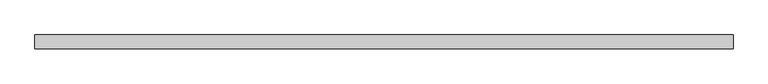
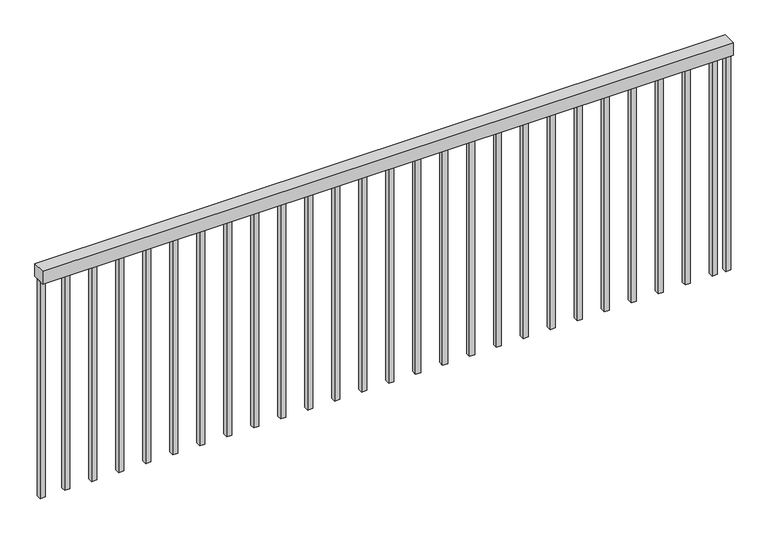
"""IFC4 building model written with IfcOpenShell, lengths in millimetres: railing geometry."""

import ifcopenshell
import ifcopenshell.guid

model = None  # the IFC model being written
_history = None  # IfcOwnerHistory: only IFC2X3 demands one
_inside = {}  # id of a spatial element -> (the spatial element, [elements in it])
_under = {}  # id of a project, library or spatial element -> (it, [spatial elements below it])
_declared = {}  # id of a project -> (the project, [libraries it declares])
_typed = {}  # id of a type object -> (the type object, [elements of that type])
_made_of = {}  # id of a material, layer set ... -> (it, [elements and type objects made of it])


def new_model(schema):
    """Start an empty IFC model of exactly this schema.

    Asked for "IFC4X3", IfcOpenShell would pick the latest addendum, in which some entities
    have other attributes; the version numbers below select the first issue.
    IFC2X3 requires an IfcOwnerHistory on every rooted entity: one is made here for all.
    """
    global model, _history
    if schema == "IFC4X3":
        model = ifcopenshell.file(schema_version=(4, 3, 0, 0))
    else:
        model = ifcopenshell.file(schema=schema)
    _inside.clear()
    _under.clear()
    _declared.clear()
    _typed.clear()
    _made_of.clear()
    _history = None
    if model.schema == "IFC2X3":
        org = make("IfcOrganization", Name="unknown")
        user = make(
            "IfcPersonAndOrganization",
            ThePerson=make("IfcPerson", FamilyName="unknown"),
            TheOrganization=org,
        )
        app = make(
            "IfcApplication",
            ApplicationDeveloper=org,
            Version="unknown",
            ApplicationFullName="unknown",
            ApplicationIdentifier="unknown",
        )
        _history = make(
            "IfcOwnerHistory",
            OwningUser=user,
            OwningApplication=app,
            ChangeAction="ADDED",
            CreationDate=0,
        )
    return model


def make(cls, **values):
    """One entity of the class cls with the attributes given. An attribute that is None is left unset."""
    return model.create_entity(
        cls, **{name: value for name, value in values.items() if value is not None}
    )


def rooted(cls, **values):
    """An entity with a GlobalId (a new one), such as an element, a storey or a relation."""
    return make(cls, GlobalId=ifcopenshell.guid.new(), OwnerHistory=_history, **values)


def si_unit(unit_type, name, prefix=None):
    """IfcSIUnit, for example si_unit("LENGTHUNIT", "METRE", prefix="MILLI")."""
    return make("IfcSIUnit", UnitType=unit_type, Prefix=prefix, Name=name)


def assignment(units):
    """IfcUnitAssignment: the units of a project."""
    return None if units is None else make("IfcUnitAssignment", Units=units)


def point(xyz):
    """IfcCartesianPoint."""
    return None if xyz is None else make("IfcCartesianPoint", Coordinates=xyz)


def direction(xyz):
    """IfcDirection."""
    return None if xyz is None else make("IfcDirection", DirectionRatios=xyz)


def frame(location, z_axis=None, x_axis=None):
    """IfcAxis2Placement3D, a coordinate frame: its origin and axes. An axis left out is left unset."""
    return make(
        "IfcAxis2Placement3D",
        Location=point(location),
        Axis=direction(z_axis),
        RefDirection=direction(x_axis),
    )


def origin():
    """The frame at (0, 0, 0) with its axes left unset."""
    return frame((0.0, 0.0, 0.0))


def origin_with_axes():
    """The frame at (0, 0, 0) with the z axis (0, 0, 1) and the x axis (1, 0, 0) written out."""
    return frame((0.0, 0.0, 0.0), z_axis=(0.0, 0.0, 1.0), x_axis=(1.0, 0.0, 0.0))


def place(relative_to, where):
    """IfcLocalPlacement: puts the frame where relative to a parent placement (None: the world)."""
    return make(
        "IfcLocalPlacement", PlacementRelTo=relative_to, RelativePlacement=where
    )


def context(
    kind, dimensions, precision=None, world=None, true_north=None, identifier=None
):
    """IfcGeometricRepresentationContext, for example the 3D "Model" context."""
    return make(
        "IfcGeometricRepresentationContext",
        ContextIdentifier=identifier,
        ContextType=kind,
        CoordinateSpaceDimension=dimensions,
        Precision=precision,
        WorldCoordinateSystem=world,
        TrueNorth=true_north,
    )


def project(units=None, contexts=None):
    """IfcProject with its units and contexts."""
    return rooted(
        "IfcProject",
        Name="project",
        RepresentationContexts=contexts,
        UnitsInContext=assignment(units),
    )


def spatial(cls, under=None, at=None, **own):
    """A site, building, storey or space (cls), placed at a placement, below another one or the project."""
    s = rooted(cls, ObjectPlacement=at, **own)
    if under is not None:
        _under.setdefault(under.id(), (under, []))[1].append(s)
    return s


def polyline(points):
    """IfcPolyline through the points."""
    return make("IfcPolyline", Points=[point(p) for p in points])


def outline(outer, holes=None, kind="AREA"):
    """IfcArbitraryClosedProfileDef: a profile drawn as a closed curve; with holes, ...WithVoids."""
    if holes is None:
        return make("IfcArbitraryClosedProfileDef", ProfileType=kind, OuterCurve=outer)
    return make(
        "IfcArbitraryProfileDefWithVoids",
        ProfileType=kind,
        OuterCurve=outer,
        InnerCurves=holes,
    )


def extrude(swept, where, along, depth):
    """IfcExtrudedAreaSolid: the profile swept, set in the frame where, extruded along a direction by depth."""
    return make(
        "IfcExtrudedAreaSolid",
        SweptArea=swept,
        Position=where,
        ExtrudedDirection=direction(along),
        Depth=depth,
    )


def shape(context_of_items, identifier, shape_type, items):
    """IfcShapeRepresentation: the items that make up one representation, for example the "Body"."""
    return make(
        "IfcShapeRepresentation",
        ContextOfItems=context_of_items,
        RepresentationIdentifier=identifier,
        RepresentationType=shape_type,
        Items=items,
    )


def source(mapping_origin, context_of_items, identifier, shape_type, items):
    """IfcRepresentationMap: a shape defined once, which mapped items show again and again."""
    return make(
        "IfcRepresentationMap",
        MappingOrigin=mapping_origin,
        MappedRepresentation=shape(context_of_items, identifier, shape_type, items),
    )


def transform(
    local_origin,
    x_axis=None,
    y_axis=None,
    z_axis=None,
    scale=None,
    scale2=None,
    scale3=None,
    uniform=True,
):
    """IfcCartesianTransformationOperator3D, or its non-uniform kind. x_axis, y_axis, z_axis: its Axis1, 2, 3."""
    if uniform:
        return make(
            "IfcCartesianTransformationOperator3D",
            Axis1=direction(x_axis),
            Axis2=direction(y_axis),
            LocalOrigin=point(local_origin),
            Scale=scale,
            Axis3=direction(z_axis),
        )
    return make(
        "IfcCartesianTransformationOperator3DnonUniform",
        Axis1=direction(x_axis),
        Axis2=direction(y_axis),
        LocalOrigin=point(local_origin),
        Scale=scale,
        Axis3=direction(z_axis),
        Scale2=scale2,
        Scale3=scale3,
    )


def mapped(mapping_source, mapping_target):
    """IfcMappedItem: shows the shape of a source again, moved by a transform."""
    return make(
        "IfcMappedItem", MappingSource=mapping_source, MappingTarget=mapping_target
    )


def made_of(thing, what):
    """Note that an element or type object is made of a material, layer set ...; save() writes the relation."""
    if what is not None:
        _made_of.setdefault(what.id(), (what, []))[1].append(thing)
    return thing


def element(
    cls,
    number,
    at=None,
    inside=None,
    cuts=None,
    type_object=None,
    material=None,
    context=None,
    identifier="Body",
    shape_type=None,
    held_by="IfcProductDefinitionShape",
    body=None,
    shapes=None,
    **own,
):
    """One element of the class cls, such as IfcWall. Its Tag is "e" and its number.

    at: its placement. inside: the storey or other place that contains it. cuts: it is an
    opening in that element (IfcRelVoidsElement). A single representation is given by context,
    identifier, shape_type and body (its items); several are given by shapes. held_by: the class
    of the entity that holds the representations. save() writes the other relations.
    """
    e = rooted(cls, Tag="e%d" % number, ObjectPlacement=at, **own)
    if body is not None:
        shapes = [shape(context, identifier, shape_type, body)]
    if shapes is not None:
        e.Representation = make(held_by, Representations=shapes)
    if inside is not None:
        _inside.setdefault(inside.id(), (inside, []))[1].append(e)
    if cuts is not None:
        rooted(
            "IfcRelVoidsElement", RelatingBuildingElement=cuts, RelatedOpeningElement=e
        )
    if type_object is not None:
        _typed.setdefault(type_object.id(), (type_object, []))[1].append(e)
    return made_of(e, material)


def aggregate(whole, parts):
    """IfcRelAggregates: a whole, such as a stair, and the parts it consists of."""
    return rooted("IfcRelAggregates", RelatingObject=whole, RelatedObjects=parts)


def save(model, path):
    """Write the relations noted so far, then the file.

    IfcRelAggregates (storeys below a building ...), IfcRelContainedInSpatialStructure (elements
    in a storey), IfcRelDefinesByType, IfcRelAssociatesMaterial and IfcRelDeclares: one each for
    every whole, place, type object, material and project.
    """
    for whole, parts in _under.values():
        aggregate(whole, parts)
    for where, things in _inside.values():
        rooted(
            "IfcRelContainedInSpatialStructure",
            RelatedElements=things,
            RelatingStructure=where,
        )
    for kind, things in _typed.values():
        rooted("IfcRelDefinesByType", RelatedObjects=things, RelatingType=kind)
    for what, things in _made_of.values():
        rooted("IfcRelAssociatesMaterial", RelatedObjects=things, RelatingMaterial=what)
    for by, libraries in _declared.values():
        rooted("IfcRelDeclares", RelatingContext=by, RelatedDefinitions=libraries)
    model.write(path)


def railing_b18b9608(model_context):
    return source(origin(), model_context, "Body", "SweptSolid", [
        extrude(outline(polyline([(-8856.7624021, 1847.4695884), (-8856.7624021, 1898.2695884), (-6257.1465348, 1898.2695884), (-6257.1465348, 1847.4695884), (-8856.7624021, 1847.4695884)])), frame((0.0, 0.0, 863.6), z_axis=(0.0, 0.0, 1.0), x_axis=(1.0, 0.0, 0.0)), (0.0, 0.0, 1.0), 50.8),
        extrude(outline(polyline([(-6326.2874021, 1882.3945884), (-6307.2374021, 1882.3945884), (-6307.2374021, 1863.3445884), (-6326.2874021, 1863.3445884), (-6326.2874021, 1882.3945884)])), origin_with_axes(), (0.0, 0.0, 1.0), 863.6),
        extrude(outline(polyline([(-6427.8874021, 1882.3945884), (-6408.8374021, 1882.3945884), (-6408.8374021, 1863.3445884), (-6427.8874021, 1863.3445884), (-6427.8874021, 1882.3945884)])), origin_with_axes(), (0.0, 0.0, 1.0), 863.6),
        extrude(outline(polyline([(-6529.4874021, 1882.3945884), (-6510.4374021, 1882.3945884), (-6510.4374021, 1863.3445884), (-6529.4874021, 1863.3445884), (-6529.4874021, 1882.3945884)])), origin_with_axes(), (0.0, 0.0, 1.0), 863.6),
        extrude(outline(polyline([(-6631.0874021, 1882.3945884), (-6612.0374021, 1882.3945884), (-6612.0374021, 1863.3445884), (-6631.0874021, 1863.3445884), (-6631.0874021, 1882.3945884)])), origin_with_axes(), (0.0, 0.0, 1.0), 863.6),
        extrude(outline(polyline([(-6732.6874021, 1882.3945884), (-6713.6374021, 1882.3945884), (-6713.6374021, 1863.3445884), (-6732.6874021, 1863.3445884), (-6732.6874021, 1882.3945884)])), origin_with_axes(), (0.0, 0.0, 1.0), 863.6),
        extrude(outline(polyline([(-6834.2874021, 1882.3945884), (-6815.2374021, 1882.3945884), (-6815.2374021, 1863.3445884), (-6834.2874021, 1863.3445884), (-6834.2874021, 1882.3945884)])), origin_with_axes(), (0.0, 0.0, 1.0), 863.6),
        extrude(outline(polyline([(-6935.8874021, 1882.3945884), (-6916.8374021, 1882.3945884), (-6916.8374021, 1863.3445884), (-6935.8874021, 1863.3445884), (-6935.8874021, 1882.3945884)])), origin_with_axes(), (0.0, 0.0, 1.0), 863.6),
        extrude(outline(polyline([(-7037.4874021, 1882.3945884), (-7018.4374021, 1882.3945884), (-7018.4374021, 1863.3445884), (-7037.4874021, 1863.3445884), (-7037.4874021, 1882.3945884)])), origin_with_axes(), (0.0, 0.0, 1.0), 863.6),
        extrude(outline(polyline([(-7139.0874021, 1882.3945884), (-7120.0374021, 1882.3945884), (-7120.0374021, 1863.3445884), (-7139.0874021, 1863.3445884), (-7139.0874021, 1882.3945884)])), origin_with_axes(), (0.0, 0.0, 1.0), 863.6),
        extrude(outline(polyline([(-7240.6874021, 1882.3945884), (-7221.6374021, 1882.3945884), (-7221.6374021, 1863.3445884), (-7240.6874021, 1863.3445884), (-7240.6874021, 1882.3945884)])), origin_with_axes(), (0.0, 0.0, 1.0), 863.6),
        extrude(outline(polyline([(-7342.2874021, 1882.3945884), (-7323.2374021, 1882.3945884), (-7323.2374021, 1863.3445884), (-7342.2874021, 1863.3445884), (-7342.2874021, 1882.3945884)])), origin_with_axes(), (0.0, 0.0, 1.0), 863.6),
        extrude(outline(polyline([(-7443.8874021, 1882.3945884), (-7424.8374021, 1882.3945884), (-7424.8374021, 1863.3445884), (-7443.8874021, 1863.3445884), (-7443.8874021, 1882.3945884)])), origin_with_axes(), (0.0, 0.0, 1.0), 863.6),
        extrude(outline(polyline([(-7545.4874021, 1882.3945884), (-7526.4374021, 1882.3945884), (-7526.4374021, 1863.3445884), (-7545.4874021, 1863.3445884), (-7545.4874021, 1882.3945884)])), origin_with_axes(), (0.0, 0.0, 1.0), 863.6),
        extrude(outline(polyline([(-7647.0874021, 1882.3945884), (-7628.0374021, 1882.3945884), (-7628.0374021, 1863.3445884), (-7647.0874021, 1863.3445884), (-7647.0874021, 1882.3945884)])), origin_with_axes(), (0.0, 0.0, 1.0), 863.6),
        extrude(outline(polyline([(-7748.6874021, 1882.3945884), (-7729.6374021, 1882.3945884), (-7729.6374021, 1863.3445884), (-7748.6874021, 1863.3445884), (-7748.6874021, 1882.3945884)])), origin_with_axes(), (0.0, 0.0, 1.0), 863.6),
        extrude(outline(polyline([(-7850.2874021, 1882.3945884), (-7831.2374021, 1882.3945884), (-7831.2374021, 1863.3445884), (-7850.2874021, 1863.3445884), (-7850.2874021, 1882.3945884)])), origin_with_axes(), (0.0, 0.0, 1.0), 863.6),
        extrude(outline(polyline([(-7951.8874021, 1882.3945884), (-7932.8374021, 1882.3945884), (-7932.8374021, 1863.3445884), (-7951.8874021, 1863.3445884), (-7951.8874021, 1882.3945884)])), origin_with_axes(), (0.0, 0.0, 1.0), 863.6),
        extrude(outline(polyline([(-8053.4874021, 1882.3945884), (-8034.4374021, 1882.3945884), (-8034.4374021, 1863.3445884), (-8053.4874021, 1863.3445884), (-8053.4874021, 1882.3945884)])), origin_with_axes(), (0.0, 0.0, 1.0), 863.6),
        extrude(outline(polyline([(-8155.0874021, 1882.3945884), (-8136.0374021, 1882.3945884), (-8136.0374021, 1863.3445884), (-8155.0874021, 1863.3445884), (-8155.0874021, 1882.3945884)])), origin_with_axes(), (0.0, 0.0, 1.0), 863.6),
        extrude(outline(polyline([(-8256.6874021, 1882.3945884), (-8237.6374021, 1882.3945884), (-8237.6374021, 1863.3445884), (-8256.6874021, 1863.3445884), (-8256.6874021, 1882.3945884)])), origin_with_axes(), (0.0, 0.0, 1.0), 863.6),
        extrude(outline(polyline([(-8358.2874021, 1882.3945884), (-8339.2374021, 1882.3945884), (-8339.2374021, 1863.3445884), (-8358.2874021, 1863.3445884), (-8358.2874021, 1882.3945884)])), origin_with_axes(), (0.0, 0.0, 1.0), 863.6),
        extrude(outline(polyline([(-8459.8874021, 1882.3945884), (-8440.8374021, 1882.3945884), (-8440.8374021, 1863.3445884), (-8459.8874021, 1863.3445884), (-8459.8874021, 1882.3945884)])), origin_with_axes(), (0.0, 0.0, 1.0), 863.6),
        extrude(outline(polyline([(-8561.4874021, 1882.3945884), (-8542.4374021, 1882.3945884), (-8542.4374021, 1863.3445884), (-8561.4874021, 1863.3445884), (-8561.4874021, 1882.3945884)])), origin_with_axes(), (0.0, 0.0, 1.0), 863.6),
        extrude(outline(polyline([(-8663.0874021, 1882.3945884), (-8644.0374021, 1882.3945884), (-8644.0374021, 1863.3445884), (-8663.0874021, 1863.3445884), (-8663.0874021, 1882.3945884)])), origin_with_axes(), (0.0, 0.0, 1.0), 863.6),
        extrude(outline(polyline([(-8764.6874021, 1882.3945884), (-8745.6374021, 1882.3945884), (-8745.6374021, 1863.3445884), (-8764.6874021, 1863.3445884), (-8764.6874021, 1882.3945884)])), origin_with_axes(), (0.0, 0.0, 1.0), 863.6),
        extrude(outline(polyline([(-6276.1715348, 1882.3945884), (-6257.1215348, 1882.3945884), (-6257.1215348, 1863.3445884), (-6276.1715348, 1863.3445884), (-6276.1715348, 1882.3945884)])), origin_with_axes(), (0.0, 0.0, 1.0), 863.6),
        extrude(outline(polyline([(-8856.7874021, 1882.3945884), (-8837.7374021, 1882.3945884), (-8837.7374021, 1863.3445884), (-8856.7874021, 1863.3445884), (-8856.7874021, 1882.3945884)])), origin_with_axes(), (0.0, 0.0, 1.0), 863.6),
    ])


if __name__ == "__main__":
    model = new_model("IFC4")
    model_context = context("Model", 3, world=origin())
    ifc_project = project(units=[si_unit("LENGTHUNIT", "METRE", prefix="MILLI")], contexts=[model_context])
    site = spatial("IfcSite", under=ifc_project)
    building = spatial("IfcBuilding", under=site)
    placement = place(None, origin())
    railing_shape = railing_b18b9608(model_context)
    element("IfcRailing", 1, at=placement, inside=building, context=model_context, shape_type="MappedRepresentation", body=[
        mapped(railing_shape, transform((0.0, 0.0, 0.0), x_axis=(1.0, 0.0, 0.0), y_axis=(0.0, 1.0, 0.0), z_axis=(0.0, 0.0, 1.0))),
    ])
    save(model, "model.ifc")
